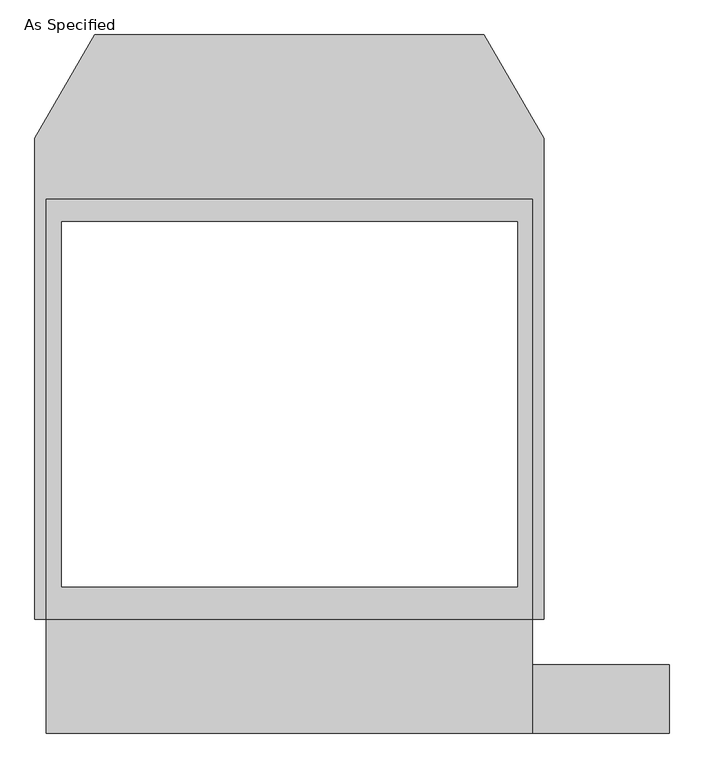
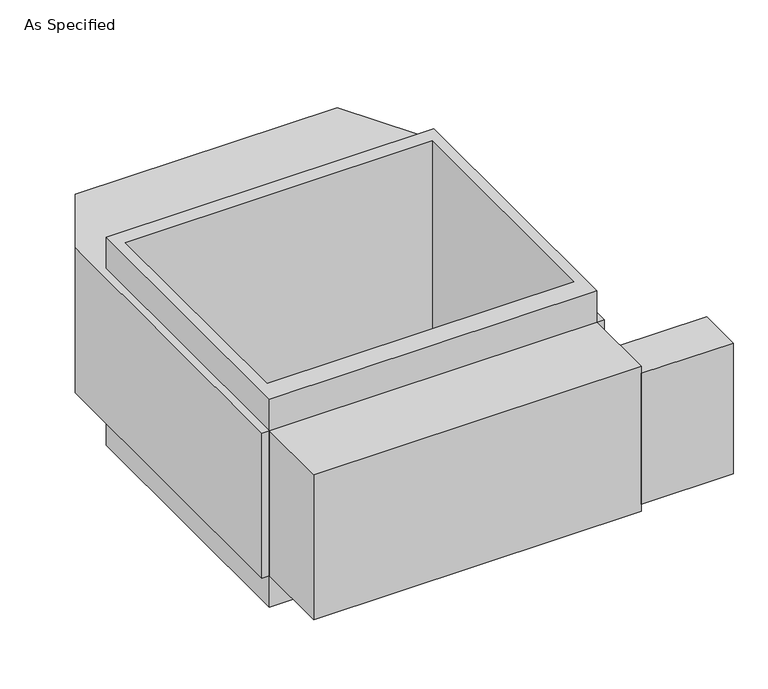
"""IFC4 building model written with IfcOpenShell, lengths in millimetres: proxy geometry, As Specified."""

from ifc_helpers import new_model, si_unit, frame, origin, place, context, project, spatial, polyline, outline, extrude, source, transform, mapped, element, save


def as_specified_8e2209c2(model_context):
    return source(origin(), model_context, "Body", "SweptSolid", [
        extrude(outline(polyline([(812.8, -1166.5148438), (812.8, -937.9148438), (1270.0, -937.9148438), (1270.0, -1166.5148438), (812.8, -1166.5148438)])), frame((0.0, 0.0, -749.3), z_axis=(0.0, 0.0, 1.0), x_axis=(1.0, 0.0, 0.0)), (0.0, 0.0, 1.0), 685.8),
        extrude(outline(polyline([(812.8, 617.8351562), (812.8, -785.5148438), (-812.8, -785.5148438), (-812.8, 617.8351562), (812.8, 617.8351562)]), holes=[polyline([(-762.0, 541.6748437), (-762.0, -677.5251563), (762.0, -677.5251563), (762.0, 541.6748437), (-762.0, 541.6748437)])]), frame((0.0, 0.0, -952.5), z_axis=(0.0, 0.0, 1.0), x_axis=(1.0, 0.0, 0.0)), (0.0, 0.0, 1.0), 1092.2),
        extrude(outline(polyline([(812.8, -1166.5148438), (-812.8, -1166.5148438), (-812.8, -785.5148438), (-850.9, -785.5148438), (-850.9, 821.0748437), (-651.460123, 1166.5148437), (651.460123, 1166.5148437), (850.9, 821.0748437), (850.9, -785.5148438), (812.8, -785.5148438), (812.8, -1166.5148438)]), holes=[polyline([(762.0, -677.5251563), (762.0, 541.6748437), (-762.0, 541.6748437), (-762.0, -677.5251563), (762.0, -677.5251563)])]), frame((0.0, 0.0, -787.4), z_axis=(0.0, 0.0, 1.0), x_axis=(1.0, 0.0, 0.0)), (0.0, 0.0, 1.0), 762.0),
    ])


if __name__ == "__main__":
    model = new_model("IFC4")
    model_context = context("Model", 3, world=origin())
    ifc_project = project(units=[si_unit("LENGTHUNIT", "METRE", prefix="MILLI")], contexts=[model_context])
    site = spatial("IfcSite", under=ifc_project)
    building = spatial("IfcBuilding", under=site)
    placement = place(None, origin())
    as_specified_shape = as_specified_8e2209c2(model_context)
    element("IfcBuildingElementProxy", 1, Name="As Specified", ObjectType="As Specified", at=placement, inside=building, context=model_context, shape_type="MappedRepresentation", body=[
        mapped(as_specified_shape, transform((0.0, 0.0, 0.0), x_axis=(1.0, 0.0, 0.0), y_axis=(0.0, 1.0, 0.0), z_axis=(0.0, 0.0, 1.0))),
    ])
    save(model, "model.ifc")
